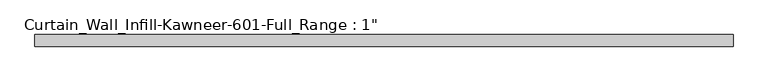
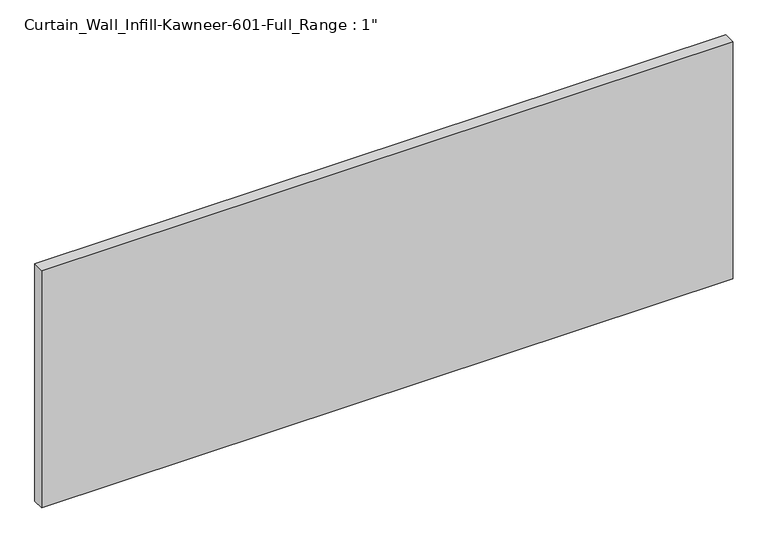
"""IFC4 building model written with IfcOpenShell, lengths in millimetres: plate geometry."""

import ifcopenshell
import ifcopenshell.guid

model = None  # the IFC model being written
_history = None  # IfcOwnerHistory: only IFC2X3 demands one
_inside = {}  # id of a spatial element -> (the spatial element, [elements in it])
_under = {}  # id of a project, library or spatial element -> (it, [spatial elements below it])
_declared = {}  # id of a project -> (the project, [libraries it declares])
_typed = {}  # id of a type object -> (the type object, [elements of that type])
_made_of = {}  # id of a material, layer set ... -> (it, [elements and type objects made of it])


def new_model(schema):
    """Start an empty IFC model of exactly this schema.

    Asked for "IFC4X3", IfcOpenShell would pick the latest addendum, in which some entities
    have other attributes; the version numbers below select the first issue.
    IFC2X3 requires an IfcOwnerHistory on every rooted entity: one is made here for all.
    """
    global model, _history
    if schema == "IFC4X3":
        model = ifcopenshell.file(schema_version=(4, 3, 0, 0))
    else:
        model = ifcopenshell.file(schema=schema)
    _inside.clear()
    _under.clear()
    _declared.clear()
    _typed.clear()
    _made_of.clear()
    _history = None
    if model.schema == "IFC2X3":
        org = make("IfcOrganization", Name="unknown")
        user = make(
            "IfcPersonAndOrganization",
            ThePerson=make("IfcPerson", FamilyName="unknown"),
            TheOrganization=org,
        )
        app = make(
            "IfcApplication",
            ApplicationDeveloper=org,
            Version="unknown",
            ApplicationFullName="unknown",
            ApplicationIdentifier="unknown",
        )
        _history = make(
            "IfcOwnerHistory",
            OwningUser=user,
            OwningApplication=app,
            ChangeAction="ADDED",
            CreationDate=0,
        )
    return model


def make(cls, **values):
    """One entity of the class cls with the attributes given. An attribute that is None is left unset."""
    return model.create_entity(
        cls, **{name: value for name, value in values.items() if value is not None}
    )


def rooted(cls, **values):
    """An entity with a GlobalId (a new one), such as an element, a storey or a relation."""
    return make(cls, GlobalId=ifcopenshell.guid.new(), OwnerHistory=_history, **values)


def si_unit(unit_type, name, prefix=None):
    """IfcSIUnit, for example si_unit("LENGTHUNIT", "METRE", prefix="MILLI")."""
    return make("IfcSIUnit", UnitType=unit_type, Prefix=prefix, Name=name)


def assignment(units):
    """IfcUnitAssignment: the units of a project."""
    return None if units is None else make("IfcUnitAssignment", Units=units)


def point(xyz):
    """IfcCartesianPoint."""
    return None if xyz is None else make("IfcCartesianPoint", Coordinates=xyz)


def direction(xyz):
    """IfcDirection."""
    return None if xyz is None else make("IfcDirection", DirectionRatios=xyz)


def frame(location, z_axis=None, x_axis=None):
    """IfcAxis2Placement3D, a coordinate frame: its origin and axes. An axis left out is left unset."""
    return make(
        "IfcAxis2Placement3D",
        Location=point(location),
        Axis=direction(z_axis),
        RefDirection=direction(x_axis),
    )


def origin():
    """The frame at (0, 0, 0) with its axes left unset."""
    return frame((0.0, 0.0, 0.0))


def origin_with_axes():
    """The frame at (0, 0, 0) with the z axis (0, 0, 1) and the x axis (1, 0, 0) written out."""
    return frame((0.0, 0.0, 0.0), z_axis=(0.0, 0.0, 1.0), x_axis=(1.0, 0.0, 0.0))


def place(relative_to, where):
    """IfcLocalPlacement: puts the frame where relative to a parent placement (None: the world)."""
    return make(
        "IfcLocalPlacement", PlacementRelTo=relative_to, RelativePlacement=where
    )


def context(
    kind, dimensions, precision=None, world=None, true_north=None, identifier=None
):
    """IfcGeometricRepresentationContext, for example the 3D "Model" context."""
    return make(
        "IfcGeometricRepresentationContext",
        ContextIdentifier=identifier,
        ContextType=kind,
        CoordinateSpaceDimension=dimensions,
        Precision=precision,
        WorldCoordinateSystem=world,
        TrueNorth=true_north,
    )


def project(units=None, contexts=None):
    """IfcProject with its units and contexts."""
    return rooted(
        "IfcProject",
        Name="project",
        RepresentationContexts=contexts,
        UnitsInContext=assignment(units),
    )


def spatial(cls, under=None, at=None, **own):
    """A site, building, storey or space (cls), placed at a placement, below another one or the project."""
    s = rooted(cls, ObjectPlacement=at, **own)
    if under is not None:
        _under.setdefault(under.id(), (under, []))[1].append(s)
    return s


def polyline(points):
    """IfcPolyline through the points."""
    return make("IfcPolyline", Points=[point(p) for p in points])


def outline(outer, holes=None, kind="AREA"):
    """IfcArbitraryClosedProfileDef: a profile drawn as a closed curve; with holes, ...WithVoids."""
    if holes is None:
        return make("IfcArbitraryClosedProfileDef", ProfileType=kind, OuterCurve=outer)
    return make(
        "IfcArbitraryProfileDefWithVoids",
        ProfileType=kind,
        OuterCurve=outer,
        InnerCurves=holes,
    )


def extrude(swept, where, along, depth):
    """IfcExtrudedAreaSolid: the profile swept, set in the frame where, extruded along a direction by depth."""
    return make(
        "IfcExtrudedAreaSolid",
        SweptArea=swept,
        Position=where,
        ExtrudedDirection=direction(along),
        Depth=depth,
    )


def shape(context_of_items, identifier, shape_type, items):
    """IfcShapeRepresentation: the items that make up one representation, for example the "Body"."""
    return make(
        "IfcShapeRepresentation",
        ContextOfItems=context_of_items,
        RepresentationIdentifier=identifier,
        RepresentationType=shape_type,
        Items=items,
    )


def source(mapping_origin, context_of_items, identifier, shape_type, items):
    """IfcRepresentationMap: a shape defined once, which mapped items show again and again."""
    return make(
        "IfcRepresentationMap",
        MappingOrigin=mapping_origin,
        MappedRepresentation=shape(context_of_items, identifier, shape_type, items),
    )


def transform(
    local_origin,
    x_axis=None,
    y_axis=None,
    z_axis=None,
    scale=None,
    scale2=None,
    scale3=None,
    uniform=True,
):
    """IfcCartesianTransformationOperator3D, or its non-uniform kind. x_axis, y_axis, z_axis: its Axis1, 2, 3."""
    if uniform:
        return make(
            "IfcCartesianTransformationOperator3D",
            Axis1=direction(x_axis),
            Axis2=direction(y_axis),
            LocalOrigin=point(local_origin),
            Scale=scale,
            Axis3=direction(z_axis),
        )
    return make(
        "IfcCartesianTransformationOperator3DnonUniform",
        Axis1=direction(x_axis),
        Axis2=direction(y_axis),
        LocalOrigin=point(local_origin),
        Scale=scale,
        Axis3=direction(z_axis),
        Scale2=scale2,
        Scale3=scale3,
    )


def mapped(mapping_source, mapping_target):
    """IfcMappedItem: shows the shape of a source again, moved by a transform."""
    return make(
        "IfcMappedItem", MappingSource=mapping_source, MappingTarget=mapping_target
    )


def made_of(thing, what):
    """Note that an element or type object is made of a material, layer set ...; save() writes the relation."""
    if what is not None:
        _made_of.setdefault(what.id(), (what, []))[1].append(thing)
    return thing


def element(
    cls,
    number,
    at=None,
    inside=None,
    cuts=None,
    type_object=None,
    material=None,
    context=None,
    identifier="Body",
    shape_type=None,
    held_by="IfcProductDefinitionShape",
    body=None,
    shapes=None,
    **own,
):
    """One element of the class cls, such as IfcWall. Its Tag is "e" and its number.

    at: its placement. inside: the storey or other place that contains it. cuts: it is an
    opening in that element (IfcRelVoidsElement). A single representation is given by context,
    identifier, shape_type and body (its items); several are given by shapes. held_by: the class
    of the entity that holds the representations. save() writes the other relations.
    """
    e = rooted(cls, Tag="e%d" % number, ObjectPlacement=at, **own)
    if body is not None:
        shapes = [shape(context, identifier, shape_type, body)]
    if shapes is not None:
        e.Representation = make(held_by, Representations=shapes)
    if inside is not None:
        _inside.setdefault(inside.id(), (inside, []))[1].append(e)
    if cuts is not None:
        rooted(
            "IfcRelVoidsElement", RelatingBuildingElement=cuts, RelatedOpeningElement=e
        )
    if type_object is not None:
        _typed.setdefault(type_object.id(), (type_object, []))[1].append(e)
    return made_of(e, material)


def aggregate(whole, parts):
    """IfcRelAggregates: a whole, such as a stair, and the parts it consists of."""
    return rooted("IfcRelAggregates", RelatingObject=whole, RelatedObjects=parts)


def save(model, path):
    """Write the relations noted so far, then the file.

    IfcRelAggregates (storeys below a building ...), IfcRelContainedInSpatialStructure (elements
    in a storey), IfcRelDefinesByType, IfcRelAssociatesMaterial and IfcRelDeclares: one each for
    every whole, place, type object, material and project.
    """
    for whole, parts in _under.values():
        aggregate(whole, parts)
    for where, things in _inside.values():
        rooted(
            "IfcRelContainedInSpatialStructure",
            RelatedElements=things,
            RelatingStructure=where,
        )
    for kind, things in _typed.values():
        rooted("IfcRelDefinesByType", RelatedObjects=things, RelatingType=kind)
    for what, things in _made_of.values():
        rooted("IfcRelAssociatesMaterial", RelatedObjects=things, RelatingMaterial=what)
    for by, libraries in _declared.values():
        rooted("IfcRelDeclares", RelatingContext=by, RelatedDefinitions=libraries)
    model.write(path)


def plate_f51387d3(model_context):
    return source(origin(), model_context, "Body", "SweptSolid", [
        extrude(outline(polyline([(-762.0, 12.7), (762.0, 12.7), (762.0, -12.7), (-762.0, -12.7), (-762.0, 12.7)])), origin_with_axes(), (0.0, 0.0, 1.0), 552.45),
    ])


if __name__ == "__main__":
    model = new_model("IFC4")
    model_context = context("Model", 3, world=origin())
    ifc_project = project(units=[si_unit("LENGTHUNIT", "METRE", prefix="MILLI")], contexts=[model_context])
    site = spatial("IfcSite", under=ifc_project)
    building = spatial("IfcBuilding", under=site)
    placement = place(None, origin())
    plate_shape = plate_f51387d3(model_context)
    element("IfcPlate", 1, ObjectType="Curtain_Wall_Infill-Kawneer-601-Full_Range : 1\"", at=placement, inside=building, context=model_context, shape_type="MappedRepresentation", body=[
        mapped(plate_shape, transform((0.0, 0.0, 0.0), x_axis=(1.0, 0.0, 0.0), y_axis=(0.0, 1.0, 0.0), z_axis=(0.0, 0.0, 1.0))),
    ])
    save(model, "model.ifc")
